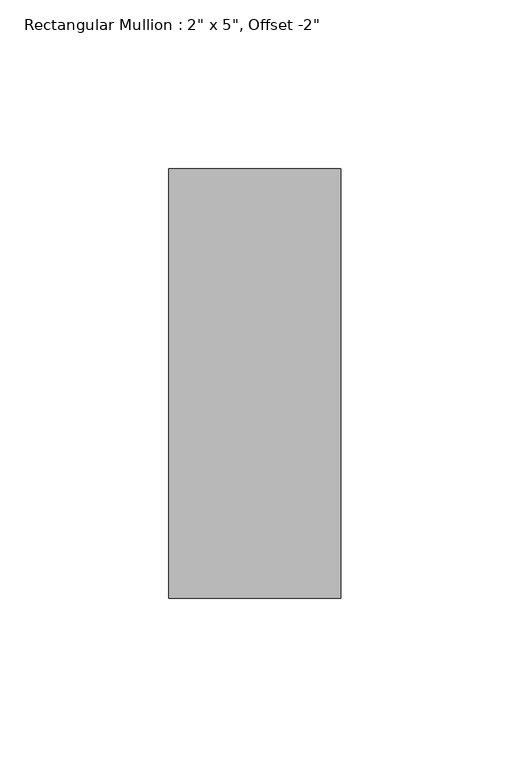
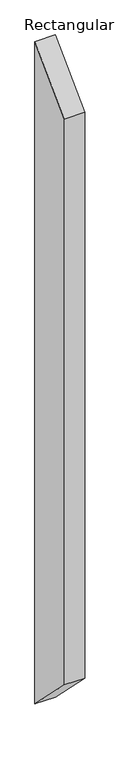
"""IFC4 building model written with IfcOpenShell, lengths in millimetres: member geometry."""

from ifc_helpers import new_model, si_unit, frame, origin, place, context, project, spatial, polyline, outline, extrude, source, transform, mapped, element, save


def member_0eb46d11(model_context):
    return source(origin(), model_context, "Body", "SweptSolid", [
        extrude(outline(polyline([(-114.3, -114.3), (12.7, 12.7), (12.7, -1729.4040773), (-114.3, -1602.4040773), (-114.3, -114.3)])), frame((-50.8, 0.0, 0.0), z_axis=(1.0, 0.0, 0.0), x_axis=(0.0, 1.0, 0.0)), (0.0, 0.0, 1.0), 50.8),
    ])


if __name__ == "__main__":
    model = new_model("IFC4")
    model_context = context("Model", 3, world=origin())
    ifc_project = project(units=[si_unit("LENGTHUNIT", "METRE", prefix="MILLI")], contexts=[model_context])
    site = spatial("IfcSite", under=ifc_project)
    building = spatial("IfcBuilding", under=site)
    placement = place(None, origin())
    member_shape = member_0eb46d11(model_context)
    element("IfcMember", 1, ObjectType="Rectangular Mullion : 2\" x 5\", Offset -2\"", at=placement, inside=building, context=model_context, shape_type="MappedRepresentation", body=[
        mapped(member_shape, transform((0.0, 0.0, 0.0), x_axis=(1.0, 0.0, 0.0), y_axis=(0.0, 1.0, 0.0), z_axis=(0.0, 0.0, 1.0))),
    ])
    save(model, "model.ifc")
